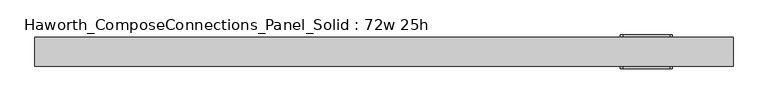
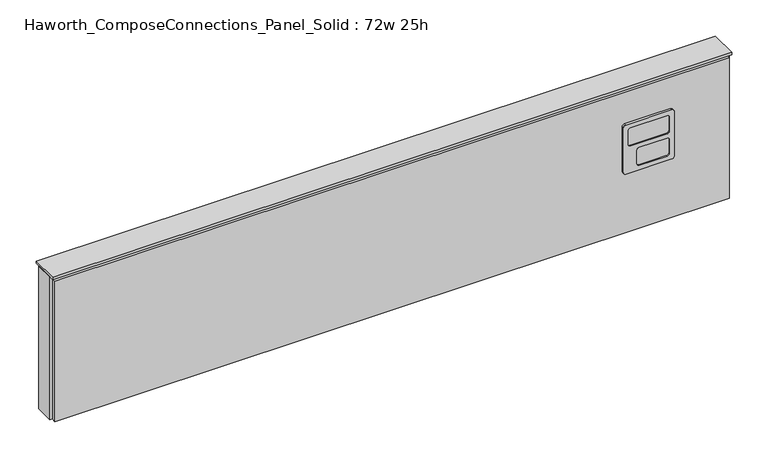
"""IFC4 building model written with IfcOpenShell, lengths in millimetres: furniture geometry, Haworth_ComposeConnections_Panel_Solid : 72w 25h."""

from ifc_helpers import new_model, si_unit, frame, origin, place, context, project, spatial, polyline, circle_curve, outline, extrude, source, transform, mapped, element, save
from ifc_brep_helpers import plane_surface, cylinder_surface, revolved_surface, advanced_brep


def haworth_composeconnections_panel_solid_72w_25h_17f0f87d(model_context):
    return source(origin(), model_context, "Body", "SolidModel", [
        advanced_brep(
        [(627.9152902, 38.1, 546.1), (621.5652902, 38.1, 539.75), (621.5652902, 38.1, 412.75), (627.9152902, 38.1, 406.4), (751.7402902, 38.1, 406.4), (758.0902902, 38.1, 412.75), (758.0902902, 38.1, 539.75), (751.7402902, 38.1, 546.1), (627.9152902, 44.45, 546.1), (751.7402902, 44.45, 546.1), (758.0902902, 44.45, 539.75), (758.0902902, 44.45, 412.75), (751.7402902, 44.45, 406.4), (627.9152902, 44.45, 406.4), (621.5652902, 44.45, 412.75), (621.5652902, 44.45, 539.75), (640.6152902, 44.45, 533.4), (634.2652902, 44.45, 527.05), (634.2652902, 44.45, 488.95), (640.6152902, 44.45, 482.6), (739.0402902, 44.45, 482.6), (745.3902902, 44.45, 488.95), (745.3902902, 44.45, 527.05), (739.0402902, 44.45, 533.4), (640.6152902, 44.45, 469.9), (634.2652902, 44.45, 463.55), (634.2652902, 44.45, 425.45), (640.6152902, 44.45, 419.1), (715.2277902, 44.45, 419.1), (721.5777902, 44.45, 425.45), (721.5777902, 44.45, 463.55), (715.2277902, 44.45, 469.9), (640.6152902, 41.275, 533.4), (739.0402902, 41.275, 533.4), (745.3902902, 41.275, 527.05), (745.3902902, 41.275, 488.95), (739.0402902, 41.275, 482.6), (640.6152902, 41.275, 482.6), (634.2652902, 41.275, 488.95), (634.2652902, 41.275, 527.05), (640.6152902, 41.275, 469.9), (715.2277902, 41.275, 469.9), (721.5777902, 41.275, 463.55), (721.5777902, 41.275, 425.45), (715.2277902, 41.275, 419.1), (640.6152902, 41.275, 419.1), (634.2652902, 41.275, 425.45), (634.2652902, 41.275, 463.55)],
        [
            (0, 1, circle_curve(frame((627.9152902, 38.1, 539.75), z_axis=(0.0, -1.0, 0.0), x_axis=(1.0, 0.0, 0.0)), 6.35)),
            (1, 2),
            (2, 3, circle_curve(frame((627.9152902, 38.1, 412.75), z_axis=(0.0, -1.0, 0.0), x_axis=(1.0, 0.0, 0.0)), 6.35)),
            (3, 4),
            (4, 5, circle_curve(frame((751.7402902, 38.1, 412.75), z_axis=(0.0, -1.0, 0.0), x_axis=(1.0, 0.0, 0.0)), 6.35)),
            (5, 6),
            (6, 7, circle_curve(frame((751.7402902, 38.1, 539.75), z_axis=(0.0, -1.0, 0.0), x_axis=(1.0, 0.0, 0.0)), 6.35)),
            (7, 0),
            (8, 9),
            (9, 10, circle_curve(frame((751.7402902, 44.45, 539.75), z_axis=(0.0, 1.0, 0.0), x_axis=(1.0, 0.0, 0.0)), 6.35)),
            (10, 11),
            (11, 12, circle_curve(frame((751.7402902, 44.45, 412.75), z_axis=(0.0, 1.0, 0.0), x_axis=(1.0, 0.0, 0.0)), 6.35)),
            (12, 13),
            (13, 14, circle_curve(frame((627.9152902, 44.45, 412.75), z_axis=(0.0, 1.0, 0.0), x_axis=(1.0, 0.0, 0.0)), 6.35)),
            (14, 15),
            (15, 8, circle_curve(frame((627.9152902, 44.45, 539.75), z_axis=(0.0, 1.0, 0.0), x_axis=(1.0, 0.0, 0.0)), 6.35)),
            (16, 17, circle_curve(frame((640.6152902, 44.45, 527.05), z_axis=(0.0, -1.0, 0.0), x_axis=(1.0, 0.0, 0.0)), 6.35)),
            (17, 18),
            (18, 19, circle_curve(frame((640.6152902, 44.45, 488.95), z_axis=(0.0, -1.0, 0.0), x_axis=(1.0, 0.0, 0.0)), 6.35)),
            (19, 20),
            (20, 21, circle_curve(frame((739.0402902, 44.45, 488.95), z_axis=(0.0, -1.0, 0.0), x_axis=(1.0, 0.0, 0.0)), 6.35)),
            (21, 22),
            (22, 23, circle_curve(frame((739.0402902, 44.45, 527.05), z_axis=(0.0, -1.0, 0.0), x_axis=(1.0, 0.0, 0.0)), 6.35)),
            (23, 16),
            (24, 25, circle_curve(frame((640.6152902, 44.45, 463.55), z_axis=(0.0, -1.0, 0.0), x_axis=(1.0, 0.0, 0.0)), 6.35)),
            (25, 26),
            (26, 27, circle_curve(frame((640.6152902, 44.45, 425.45), z_axis=(0.0, -1.0, 0.0), x_axis=(1.0, 0.0, 0.0)), 6.35)),
            (27, 28),
            (28, 29, circle_curve(frame((715.2277902, 44.45, 425.45), z_axis=(0.0, -1.0, 0.0), x_axis=(1.0, 0.0, 0.0)), 6.35)),
            (29, 30),
            (30, 31, circle_curve(frame((715.2277902, 44.45, 463.55), z_axis=(0.0, -1.0, 0.0), x_axis=(1.0, 0.0, 0.0)), 6.35)),
            (31, 24),
            (0, 8),
            (15, 1),
            (14, 2),
            (13, 3),
            (12, 4),
            (11, 5),
            (10, 6),
            (9, 7),
            (32, 33),
            (33, 34, circle_curve(frame((739.0402902, 41.275, 527.05), z_axis=(0.0, 1.0, 0.0), x_axis=(1.0, 0.0, 0.0)), 6.35)),
            (34, 35),
            (35, 36, circle_curve(frame((739.0402902, 41.275, 488.95), z_axis=(0.0, 1.0, 0.0), x_axis=(1.0, 0.0, 0.0)), 6.35)),
            (36, 37),
            (37, 38, circle_curve(frame((640.6152902, 41.275, 488.95), z_axis=(0.0, 1.0, 0.0), x_axis=(1.0, 0.0, 0.0)), 6.35)),
            (38, 39),
            (39, 32, circle_curve(frame((640.6152902, 41.275, 527.05), z_axis=(0.0, 1.0, 0.0), x_axis=(1.0, 0.0, 0.0)), 6.35)),
            (40, 41),
            (41, 42, circle_curve(frame((715.2277902, 41.275, 463.55), z_axis=(0.0, 1.0, 0.0), x_axis=(1.0, 0.0, 0.0)), 6.35)),
            (42, 43),
            (43, 44, circle_curve(frame((715.2277902, 41.275, 425.45), z_axis=(0.0, 1.0, 0.0), x_axis=(1.0, 0.0, 0.0)), 6.35)),
            (44, 45),
            (45, 46, circle_curve(frame((640.6152902, 41.275, 425.45), z_axis=(0.0, 1.0, 0.0), x_axis=(1.0, 0.0, 0.0)), 6.35)),
            (46, 47),
            (47, 40, circle_curve(frame((640.6152902, 41.275, 463.55), z_axis=(0.0, 1.0, 0.0), x_axis=(1.0, 0.0, 0.0)), 6.35)),
            (39, 17),
            (16, 32),
            (38, 18),
            (37, 19),
            (36, 20),
            (35, 21),
            (34, 22),
            (33, 23),
            (47, 25),
            (24, 40),
            (46, 26),
            (45, 27),
            (44, 28),
            (43, 29),
            (42, 30),
            (41, 31),
        ],
        [
            plane_surface(frame((634.2652902, 38.1, 539.75), z_axis=(0.0, -1.0, 0.0), x_axis=(0.0, 0.0, 1.0))),
            plane_surface(frame((634.2652902, 44.45, 539.75), z_axis=(0.0, 1.0, 0.0), x_axis=(0.0, 0.0, -1.0))),
            cylinder_surface(frame((627.9152902, 44.45, 539.75), z_axis=(0.0, -1.0, 0.0), x_axis=(1.0, 0.0, 0.0)), 6.35),
            plane_surface(frame((621.5652902, 38.1, 539.75), z_axis=(-1.0, 0.0, 0.0), x_axis=(0.0, 1.0, 0.0))),
            cylinder_surface(frame((627.9152902, 44.45, 412.75), z_axis=(0.0, -1.0, 0.0), x_axis=(1.0, 0.0, 0.0)), 6.35),
            plane_surface(frame((627.9152902, 38.1, 406.4), z_axis=(0.0, 0.0, -1.0), x_axis=(0.0, 1.0, 0.0))),
            cylinder_surface(frame((751.7402902, 44.45, 412.75), z_axis=(0.0, -1.0, 0.0), x_axis=(1.0, 0.0, 0.0)), 6.35),
            plane_surface(frame((758.0902902, 38.1, 412.75), z_axis=(1.0, 0.0, 0.0), x_axis=(0.0, 1.0, 0.0))),
            cylinder_surface(frame((751.7402902, 44.45, 539.75), z_axis=(0.0, -1.0, 0.0), x_axis=(1.0, 0.0, 0.0)), 6.35),
            plane_surface(frame((751.7402902, 38.1, 546.1), z_axis=(0.0, 0.0, 1.0), x_axis=(0.0, 1.0, 0.0))),
            plane_surface(frame((646.9652902, 41.275, 527.05), z_axis=(0.0, 1.0, 0.0), x_axis=(0.0, 0.0, 1.0))),
            revolved_surface(polyline([(646.9652902, 41.275, 527.05), (646.9652902, 44.45, 527.05)]), (640.6152902, 44.45, 527.05), (0.0, -1.0, 0.0)),
            plane_surface(frame((634.2652902, 41.275, 527.05), z_axis=(1.0, 0.0, 0.0), x_axis=(0.0, 1.0, 0.0))),
            revolved_surface(polyline([(646.9652902, 41.275, 488.95), (646.9652902, 44.45, 488.95)]), (640.6152902, 44.45, 488.95), (0.0, -1.0, 0.0)),
            plane_surface(frame((640.6152902, 41.275, 482.6), z_axis=(0.0, 0.0, 1.0), x_axis=(0.0, 1.0, 0.0))),
            revolved_surface(polyline([(745.3902902, 41.275, 488.95), (745.3902902, 44.45, 488.95)]), (739.0402902, 44.45, 488.95), (0.0, -1.0, 0.0)),
            plane_surface(frame((745.3902902, 41.275, 488.95), z_axis=(-1.0, 0.0, 0.0), x_axis=(0.0, 1.0, 0.0))),
            revolved_surface(polyline([(745.3902902, 41.275, 527.05), (745.3902902, 44.45, 527.05)]), (739.0402902, 44.45, 527.05), (0.0, -1.0, 0.0)),
            plane_surface(frame((739.0402902, 41.275, 533.4), z_axis=(0.0, 0.0, -1.0), x_axis=(0.0, 1.0, 0.0))),
            revolved_surface(polyline([(646.9652902, 41.275, 463.55), (646.9652902, 44.45, 463.55)]), (640.6152902, 44.45, 463.55), (0.0, -1.0, 0.0)),
            plane_surface(frame((634.2652902, 41.275, 463.55), z_axis=(1.0, 0.0, 0.0), x_axis=(0.0, 1.0, 0.0))),
            revolved_surface(polyline([(646.9652902, 41.275, 425.45), (646.9652902, 44.45, 425.45)]), (640.6152902, 44.45, 425.45), (0.0, -1.0, 0.0)),
            plane_surface(frame((640.6152902, 41.275, 419.1), z_axis=(0.0, 0.0, 1.0), x_axis=(0.0, 1.0, 0.0))),
            revolved_surface(polyline([(721.5777902, 41.275, 425.45), (721.5777902, 44.45, 425.45)]), (715.2277902, 44.45, 425.45), (0.0, -1.0, 0.0)),
            plane_surface(frame((721.5777902, 41.275, 425.45), z_axis=(-1.0, 0.0, 0.0), x_axis=(0.0, 1.0, 0.0))),
            revolved_surface(polyline([(721.5777902, 41.275, 463.55), (721.5777902, 44.45, 463.55)]), (715.2277902, 44.45, 463.55), (0.0, -1.0, 0.0)),
            plane_surface(frame((715.2277902, 41.275, 469.9), z_axis=(0.0, 0.0, -1.0), x_axis=(0.0, 1.0, 0.0))),
        ],
        [
            (0, [[1, 2, 3, 4, 5, 6, 7, 8]]),
            (1, [[9, 10, 11, 12, 13, 14, 15, 16], [17, 18, 19, 20, 21, 22, 23, 24], [25, 26, 27, 28, 29, 30, 31, 32]]),
            (2, [[-1, 33, -16, 34]]),
            (3, [[-2, -34, -15, 35]]),
            (4, [[-3, -35, -14, 36]]),
            (5, [[-4, -36, -13, 37]]),
            (6, [[-5, -37, -12, 38]]),
            (7, [[-6, -38, -11, 39]]),
            (8, [[-7, -39, -10, 40]]),
            (9, [[-8, -40, -9, -33]]),
            (10, [[41, 42, 43, 44, 45, 46, 47, 48]]),
            (10, [[49, 50, 51, 52, 53, 54, 55, 56]]),
            (11, [[-48, 57, -17, 58]]),
            (12, [[-47, 59, -18, -57]]),
            (13, [[-46, 60, -19, -59]]),
            (14, [[-45, 61, -20, -60]]),
            (15, [[-44, 62, -21, -61]]),
            (16, [[-43, 63, -22, -62]]),
            (17, [[-42, 64, -23, -63]]),
            (18, [[-41, -58, -24, -64]]),
            (19, [[-56, 65, -25, 66]]),
            (20, [[-55, 67, -26, -65]]),
            (21, [[-54, 68, -27, -67]]),
            (22, [[-53, 69, -28, -68]]),
            (23, [[-52, 70, -29, -69]]),
            (24, [[-51, 71, -30, -70]]),
            (25, [[-50, 72, -31, -71]]),
            (26, [[-49, -66, -32, -72]]),
        ],
    ),
        advanced_brep(
        [(751.7402902, -38.1, 546.1), (758.0902902, -38.1, 539.75), (758.0902902, -38.1, 412.75), (751.7402902, -38.1, 406.4), (627.9152902, -38.1, 406.4), (621.5652902, -38.1, 412.75), (621.5652902, -38.1, 539.75), (627.9152902, -38.1, 546.1), (751.7402902, -44.45, 546.1), (627.9152902, -44.45, 546.1), (621.5652902, -44.45, 539.75), (621.5652902, -44.45, 412.75), (627.9152902, -44.45, 406.4), (751.7402902, -44.45, 406.4), (758.0902902, -44.45, 412.75), (758.0902902, -44.45, 539.75), (739.0402902, -44.45, 533.4), (745.3902902, -44.45, 527.05), (745.3902902, -44.45, 488.95), (739.0402902, -44.45, 482.6), (640.6152902, -44.45, 482.6), (634.2652902, -44.45, 488.95), (634.2652902, -44.45, 527.05), (640.6152902, -44.45, 533.4), (739.0402902, -44.45, 469.9), (745.3902902, -44.45, 463.55), (745.3902902, -44.45, 425.45), (739.0402902, -44.45, 419.1), (664.4277902, -44.45, 419.1), (658.0777902, -44.45, 425.45), (658.0777902, -44.45, 463.55), (664.4277902, -44.45, 469.9), (739.0402902, -41.275, 533.4), (640.6152902, -41.275, 533.4), (634.2652902, -41.275, 527.05), (634.2652902, -41.275, 488.95), (640.6152902, -41.275, 482.6), (739.0402902, -41.275, 482.6), (745.3902902, -41.275, 488.95), (745.3902902, -41.275, 527.05), (739.0402902, -41.275, 469.9), (664.4277902, -41.275, 469.9), (658.0777902, -41.275, 463.55), (658.0777902, -41.275, 425.45), (664.4277902, -41.275, 419.1), (739.0402902, -41.275, 419.1), (745.3902902, -41.275, 425.45), (745.3902902, -41.275, 463.55)],
        [
            (0, 1, circle_curve(frame((751.7402902, -38.1, 539.75), z_axis=(0.0, 1.0, 0.0), x_axis=(-1.0, 0.0, 0.0)), 6.35)),
            (1, 2),
            (2, 3, circle_curve(frame((751.7402902, -38.1, 412.75), z_axis=(0.0, 1.0, 0.0), x_axis=(-1.0, 0.0, 0.0)), 6.35)),
            (3, 4),
            (4, 5, circle_curve(frame((627.9152902, -38.1, 412.75), z_axis=(0.0, 1.0, 0.0), x_axis=(-1.0, 0.0, 0.0)), 6.35)),
            (5, 6),
            (6, 7, circle_curve(frame((627.9152902, -38.1, 539.75), z_axis=(0.0, 1.0, 0.0), x_axis=(-1.0, 0.0, 0.0)), 6.35)),
            (7, 0),
            (8, 9),
            (9, 10, circle_curve(frame((627.9152902, -44.45, 539.75), z_axis=(0.0, -1.0, 0.0), x_axis=(-1.0, 0.0, 0.0)), 6.35)),
            (10, 11),
            (11, 12, circle_curve(frame((627.9152902, -44.45, 412.75), z_axis=(0.0, -1.0, 0.0), x_axis=(-1.0, 0.0, 0.0)), 6.35)),
            (12, 13),
            (13, 14, circle_curve(frame((751.7402902, -44.45, 412.75), z_axis=(0.0, -1.0, 0.0), x_axis=(-1.0, 0.0, 0.0)), 6.35)),
            (14, 15),
            (15, 8, circle_curve(frame((751.7402902, -44.45, 539.75), z_axis=(0.0, -1.0, 0.0), x_axis=(-1.0, 0.0, 0.0)), 6.35)),
            (16, 17, circle_curve(frame((739.0402902, -44.45, 527.05), z_axis=(0.0, 1.0, 0.0), x_axis=(-1.0, 0.0, 0.0)), 6.35)),
            (17, 18),
            (18, 19, circle_curve(frame((739.0402902, -44.45, 488.95), z_axis=(0.0, 1.0, 0.0), x_axis=(-1.0, 0.0, 0.0)), 6.35)),
            (19, 20),
            (20, 21, circle_curve(frame((640.6152902, -44.45, 488.95), z_axis=(0.0, 1.0, 0.0), x_axis=(-1.0, 0.0, 0.0)), 6.35)),
            (21, 22),
            (22, 23, circle_curve(frame((640.6152902, -44.45, 527.05), z_axis=(0.0, 1.0, 0.0), x_axis=(-1.0, 0.0, 0.0)), 6.35)),
            (23, 16),
            (24, 25, circle_curve(frame((739.0402902, -44.45, 463.55), z_axis=(0.0, 1.0, 0.0), x_axis=(-1.0, 0.0, 0.0)), 6.35)),
            (25, 26),
            (26, 27, circle_curve(frame((739.0402902, -44.45, 425.45), z_axis=(0.0, 1.0, 0.0), x_axis=(-1.0, 0.0, 0.0)), 6.35)),
            (27, 28),
            (28, 29, circle_curve(frame((664.4277902, -44.45, 425.45), z_axis=(0.0, 1.0, 0.0), x_axis=(-1.0, 0.0, 0.0)), 6.35)),
            (29, 30),
            (30, 31, circle_curve(frame((664.4277902, -44.45, 463.55), z_axis=(0.0, 1.0, 0.0), x_axis=(-1.0, 0.0, 0.0)), 6.35)),
            (31, 24),
            (0, 8),
            (15, 1),
            (14, 2),
            (13, 3),
            (12, 4),
            (11, 5),
            (10, 6),
            (9, 7),
            (32, 33),
            (33, 34, circle_curve(frame((640.6152902, -41.275, 527.05), z_axis=(0.0, -1.0, 0.0), x_axis=(-1.0, 0.0, 0.0)), 6.35)),
            (34, 35),
            (35, 36, circle_curve(frame((640.6152902, -41.275, 488.95), z_axis=(0.0, -1.0, 0.0), x_axis=(-1.0, 0.0, 0.0)), 6.35)),
            (36, 37),
            (37, 38, circle_curve(frame((739.0402902, -41.275, 488.95), z_axis=(0.0, -1.0, 0.0), x_axis=(-1.0, 0.0, 0.0)), 6.35)),
            (38, 39),
            (39, 32, circle_curve(frame((739.0402902, -41.275, 527.05), z_axis=(0.0, -1.0, 0.0), x_axis=(-1.0, 0.0, 0.0)), 6.35)),
            (40, 41),
            (41, 42, circle_curve(frame((664.4277902, -41.275, 463.55), z_axis=(0.0, -1.0, 0.0), x_axis=(-1.0, 0.0, 0.0)), 6.35)),
            (42, 43),
            (43, 44, circle_curve(frame((664.4277902, -41.275, 425.45), z_axis=(0.0, -1.0, 0.0), x_axis=(-1.0, 0.0, 0.0)), 6.35)),
            (44, 45),
            (45, 46, circle_curve(frame((739.0402902, -41.275, 425.45), z_axis=(0.0, -1.0, 0.0), x_axis=(-1.0, 0.0, 0.0)), 6.35)),
            (46, 47),
            (47, 40, circle_curve(frame((739.0402902, -41.275, 463.55), z_axis=(0.0, -1.0, 0.0), x_axis=(-1.0, 0.0, 0.0)), 6.35)),
            (39, 17),
            (16, 32),
            (38, 18),
            (37, 19),
            (36, 20),
            (35, 21),
            (34, 22),
            (33, 23),
            (47, 25),
            (24, 40),
            (46, 26),
            (45, 27),
            (44, 28),
            (43, 29),
            (42, 30),
            (41, 31),
        ],
        [
            plane_surface(frame((745.3902902, -38.1, 539.75), z_axis=(0.0, 1.0, 0.0), x_axis=(0.0, 0.0, 1.0))),
            plane_surface(frame((745.3902902, -44.45, 539.75), z_axis=(0.0, -1.0, 0.0), x_axis=(0.0, 0.0, -1.0))),
            cylinder_surface(frame((751.7402902, -44.45, 539.75), z_axis=(0.0, 1.0, 0.0), x_axis=(-1.0, 0.0, 0.0)), 6.35),
            plane_surface(frame((758.0902902, -38.1, 539.75), z_axis=(1.0, 0.0, 0.0), x_axis=(0.0, -1.0, 0.0))),
            cylinder_surface(frame((751.7402902, -44.45, 412.75), z_axis=(0.0, 1.0, 0.0), x_axis=(-1.0, 0.0, 0.0)), 6.35),
            plane_surface(frame((751.7402902, -38.1, 406.4), z_axis=(0.0, 0.0, -1.0), x_axis=(0.0, -1.0, 0.0))),
            cylinder_surface(frame((627.9152902, -44.45, 412.75), z_axis=(0.0, 1.0, 0.0), x_axis=(-1.0, 0.0, 0.0)), 6.35),
            plane_surface(frame((621.5652902, -38.1, 412.75), z_axis=(-1.0, 0.0, 0.0), x_axis=(0.0, -1.0, 0.0))),
            cylinder_surface(frame((627.9152902, -44.45, 539.75), z_axis=(0.0, 1.0, 0.0), x_axis=(-1.0, 0.0, 0.0)), 6.35),
            plane_surface(frame((627.9152902, -38.1, 546.1), z_axis=(0.0, 0.0, 1.0), x_axis=(0.0, -1.0, 0.0))),
            plane_surface(frame((732.6902902, -41.275, 527.05), z_axis=(0.0, -1.0, 0.0), x_axis=(0.0, 0.0, 1.0))),
            revolved_surface(polyline([(732.6902901999999, -41.275, 527.05), (732.6902901999999, -44.45, 527.05)]), (739.0402902, -44.45, 527.05), (0.0, 1.0, 0.0)),
            plane_surface(frame((745.3902902, -41.275, 527.05), z_axis=(-1.0, 0.0, 0.0), x_axis=(0.0, -1.0, 0.0))),
            revolved_surface(polyline([(732.6902901999999, -41.275, 488.95), (732.6902901999999, -44.45, 488.95)]), (739.0402902, -44.45, 488.95), (0.0, 1.0, 0.0)),
            plane_surface(frame((739.0402902, -41.275, 482.6), z_axis=(0.0, 0.0, 1.0), x_axis=(0.0, -1.0, 0.0))),
            revolved_surface(polyline([(634.2652902, -41.275, 488.95), (634.2652902, -44.45, 488.95)]), (640.6152902, -44.45, 488.95), (0.0, 1.0, 0.0)),
            plane_surface(frame((634.2652902, -41.275, 488.95), z_axis=(1.0, 0.0, 0.0), x_axis=(0.0, -1.0, 0.0))),
            revolved_surface(polyline([(634.2652902, -41.275, 527.05), (634.2652902, -44.45, 527.05)]), (640.6152902, -44.45, 527.05), (0.0, 1.0, 0.0)),
            plane_surface(frame((640.6152902, -41.275, 533.4), z_axis=(0.0, 0.0, -1.0), x_axis=(0.0, -1.0, 0.0))),
            revolved_surface(polyline([(732.6902901999999, -41.275, 463.55), (732.6902901999999, -44.45, 463.55)]), (739.0402902, -44.45, 463.55), (0.0, 1.0, 0.0)),
            plane_surface(frame((745.3902902, -41.275, 463.55), z_axis=(-1.0, 0.0, 0.0), x_axis=(0.0, -1.0, 0.0))),
            revolved_surface(polyline([(732.6902901999999, -41.275, 425.45), (732.6902901999999, -44.45, 425.45)]), (739.0402902, -44.45, 425.45), (0.0, 1.0, 0.0)),
            plane_surface(frame((739.0402902, -41.275, 419.1), z_axis=(0.0, 0.0, 1.0), x_axis=(0.0, -1.0, 0.0))),
            revolved_surface(polyline([(658.0777902, -41.275, 425.45), (658.0777902, -44.45, 425.45)]), (664.4277902, -44.45, 425.45), (0.0, 1.0, 0.0)),
            plane_surface(frame((658.0777902, -41.275, 425.45), z_axis=(1.0, 0.0, 0.0), x_axis=(0.0, -1.0, 0.0))),
            revolved_surface(polyline([(658.0777902, -41.275, 463.55), (658.0777902, -44.45, 463.55)]), (664.4277902, -44.45, 463.55), (0.0, 1.0, 0.0)),
            plane_surface(frame((664.4277902, -41.275, 469.9), z_axis=(0.0, 0.0, -1.0), x_axis=(0.0, -1.0, 0.0))),
        ],
        [
            (0, [[1, 2, 3, 4, 5, 6, 7, 8]]),
            (1, [[9, 10, 11, 12, 13, 14, 15, 16], [17, 18, 19, 20, 21, 22, 23, 24], [25, 26, 27, 28, 29, 30, 31, 32]]),
            (2, [[-1, 33, -16, 34]]),
            (3, [[-2, -34, -15, 35]]),
            (4, [[-3, -35, -14, 36]]),
            (5, [[-4, -36, -13, 37]]),
            (6, [[-5, -37, -12, 38]]),
            (7, [[-6, -38, -11, 39]]),
            (8, [[-7, -39, -10, 40]]),
            (9, [[-8, -40, -9, -33]]),
            (10, [[41, 42, 43, 44, 45, 46, 47, 48]]),
            (10, [[49, 50, 51, 52, 53, 54, 55, 56]]),
            (11, [[-48, 57, -17, 58]]),
            (12, [[-47, 59, -18, -57]]),
            (13, [[-46, 60, -19, -59]]),
            (14, [[-45, 61, -20, -60]]),
            (15, [[-44, 62, -21, -61]]),
            (16, [[-43, 63, -22, -62]]),
            (17, [[-42, 64, -23, -63]]),
            (18, [[-41, -58, -24, -64]]),
            (19, [[-56, 65, -25, 66]]),
            (20, [[-55, 67, -26, -65]]),
            (21, [[-54, 68, -27, -67]]),
            (22, [[-53, 69, -28, -68]]),
            (23, [[-52, 70, -29, -69]]),
            (24, [[-51, 71, -30, -70]]),
            (25, [[-50, 72, -31, -71]]),
            (26, [[-49, -66, -32, -72]]),
        ],
    ),
        extrude(outline(polyline([(916.8402902, -25.4), (-911.9597098, -25.4), (-911.9597098, 25.4), (916.8402902, 25.4), (916.8402902, -25.4)])), frame((0.0, 0.0, 234.95), z_axis=(0.0, 0.0, 1.0), x_axis=(1.0, 0.0, 0.0)), (0.0, 0.0, 1.0), 406.4),
        extrude(outline(polyline([(-905.6097098, -25.4), (910.4902902, -25.4), (910.4902902, -38.1), (-905.6097098, -38.1), (-905.6097098, -25.4)])), frame((0.0, 0.0, 234.95), z_axis=(0.0, 0.0, 1.0), x_axis=(1.0, 0.0, 0.0)), (0.0, 0.0, 1.0), 400.05),
        extrude(outline(polyline([(-905.6097098, 38.1), (910.4902902, 38.1), (910.4902902, 25.4), (-905.6097098, 25.4), (-905.6097098, 38.1)])), frame((0.0, 0.0, 234.95), z_axis=(0.0, 0.0, 1.0), x_axis=(1.0, 0.0, 0.0)), (0.0, 0.0, 1.0), 400.05),
        extrude(outline(polyline([(-911.9597098, -38.1), (-911.9597098, 38.1), (916.8402902, 38.1), (916.8402902, -38.1), (-911.9597098, -38.1)])), frame((0.0, 0.0, 641.35), z_axis=(0.0, 0.0, 1.0), x_axis=(1.0, 0.0, 0.0)), (0.0, 0.0, 1.0), 6.35),
    ])


if __name__ == "__main__":
    model = new_model("IFC4")
    model_context = context("Model", 3, world=origin())
    ifc_project = project(units=[si_unit("LENGTHUNIT", "METRE", prefix="MILLI")], contexts=[model_context])
    site = spatial("IfcSite", under=ifc_project)
    building = spatial("IfcBuilding", under=site)
    placement = place(None, origin())
    haworth_composeconnections_panel_solid_72w_25h_shape = haworth_composeconnections_panel_solid_72w_25h_17f0f87d(model_context)
    element("IfcFurniture", 1, ObjectType="Haworth_ComposeConnections_Panel_Solid : 72w 25h", at=placement, inside=building, context=model_context, shape_type="MappedRepresentation", body=[
        mapped(haworth_composeconnections_panel_solid_72w_25h_shape, transform((0.0, 0.0, 0.0), x_axis=(1.0, 0.0, 0.0), y_axis=(0.0, 1.0, 0.0), z_axis=(0.0, 0.0, 1.0))),
    ])
    save(model, "model.ifc")
